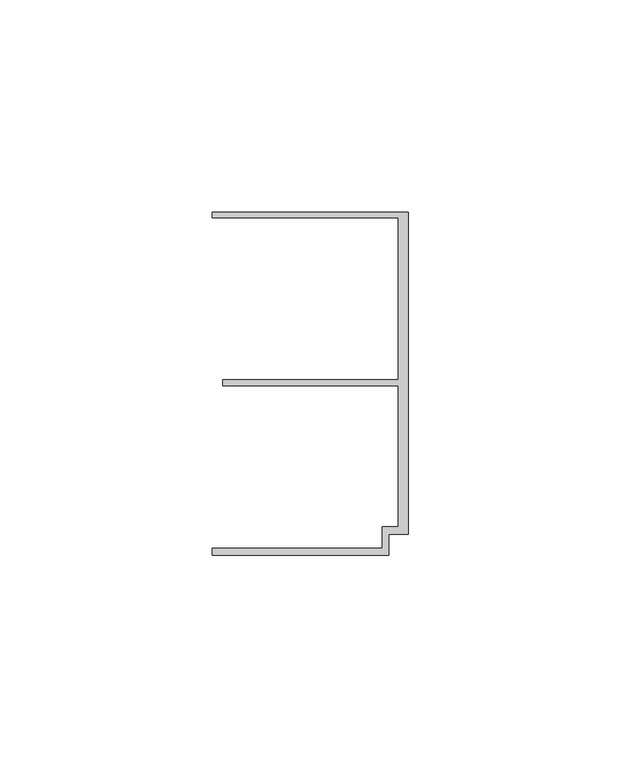
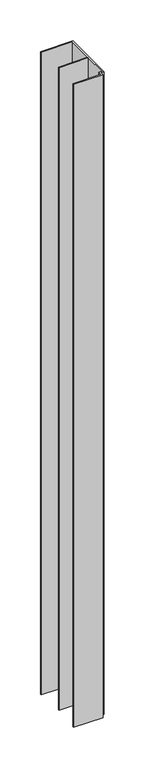
"""IFC4 building model written with IfcOpenShell, lengths in millimetres: member geometry."""

from ifc_helpers import new_model, si_unit, frame, origin, place, context, project, spatial, polyline, outline, extrude, source, transform, mapped, element, save


def member_e0069164(model_context):
    return source(origin(), model_context, "Body", "SweptSolid", [
        extrude(outline(polyline([(-6.2, -33.95), (-2.4, -33.95), (-2.4, -0.75), (-43.8, -0.75), (-43.8, 0.75), (-2.4, 0.75), (-2.4, 38.95), (-46.3, 38.95), (-46.3, 40.25), (0.0, 40.25), (0.0, -35.75), (-4.6999992, -35.75), (-4.6999992, -40.65), (-46.3, -40.65), (-46.3, -38.95), (-6.2, -38.95), (-6.2, -33.95)])), frame((0.0, 0.0, -962.5), z_axis=(0.0, 0.0, 1.0), x_axis=(1.0, 0.0, 0.0)), (0.0, 0.0, 1.0), 962.5),
    ])


if __name__ == "__main__":
    model = new_model("IFC4")
    model_context = context("Model", 3, world=origin())
    ifc_project = project(units=[si_unit("LENGTHUNIT", "METRE", prefix="MILLI")], contexts=[model_context])
    site = spatial("IfcSite", under=ifc_project)
    building = spatial("IfcBuilding", under=site)
    placement = place(None, origin())
    member_shape = member_e0069164(model_context)
    element("IfcMember", 1, at=placement, inside=building, context=model_context, shape_type="MappedRepresentation", body=[
        mapped(member_shape, transform((0.0, 0.0, 0.0), x_axis=(1.0, 0.0, 0.0), y_axis=(0.0, 1.0, 0.0), z_axis=(0.0, 0.0, 1.0))),
    ])
    save(model, "model.ifc")
